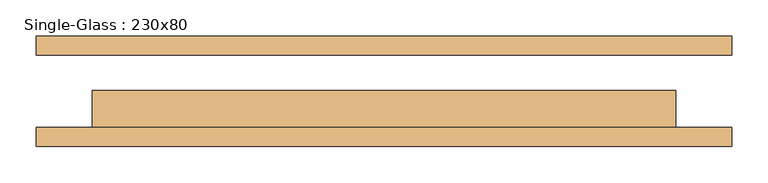
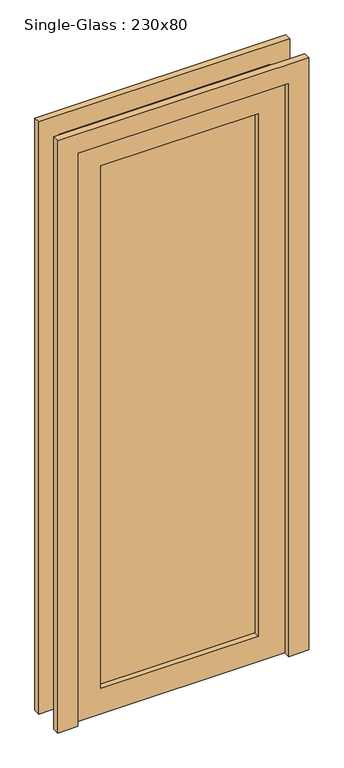
"""IFC4 building model written with IfcOpenShell, lengths in millimetres: door geometry, Single-Glass : 230x80."""

from ifc_helpers import new_model, si_unit, frame, origin, place, context, project, spatial, polyline, outline, extrude, source, transform, mapped, element, save


def single_glass_230x80_4aadff02(model_context):
    return source(origin(), model_context, "Body", "SweptSolid", [
        extrude(outline(polyline([(2300.0, 400.0), (0.0, 400.0), (0.0, 476.2), (2376.2, 476.2), (2376.2, -476.2), (0.0, -476.2), (0.0, -400.0), (2300.0, -400.0), (2300.0, 400.0)])), frame((0.0, 50.0, 0.0), z_axis=(0.0, 1.0, 0.0), x_axis=(0.0, 0.0, 1.0)), (0.0, 0.0, 1.0), 25.4),
        extrude(outline(polyline([(2300.0, 400.0), (0.0, 400.0), (0.0, 476.2), (2376.2, 476.2), (2376.2, -476.2), (0.0, -476.2), (0.0, -400.0), (2300.0, -400.0), (2300.0, 400.0)])), frame((0.0, -75.4, 0.0), z_axis=(0.0, 1.0, 0.0), x_axis=(0.0, 0.0, 1.0)), (0.0, 0.0, 1.0), 25.4),
        extrude(outline(polyline([(298.4, -21.425), (298.4, -27.775), (-298.4, -27.775), (-298.4, -21.425), (298.4, -21.425)])), frame((0.0, 0.0, 101.6), z_axis=(0.0, 0.0, 1.0), x_axis=(1.0, 0.0, 0.0)), (0.0, 0.0, 1.0), 2096.8),
        extrude(outline(polyline([(2300.0, 400.0), (2300.0, -400.0), (0.0, -400.0), (0.0, 400.0), (2300.0, 400.0)]), holes=[polyline([(2198.4, -298.4), (2198.4, 298.4), (101.6, 298.4), (101.6, -298.4), (2198.4, -298.4)])]), frame((0.0, -50.0, 0.0), z_axis=(0.0, 1.0, 0.0), x_axis=(0.0, 0.0, 1.0)), (0.0, 0.0, 1.0), 50.8),
    ])


if __name__ == "__main__":
    model = new_model("IFC4")
    model_context = context("Model", 3, world=origin())
    ifc_project = project(units=[si_unit("LENGTHUNIT", "METRE", prefix="MILLI")], contexts=[model_context])
    site = spatial("IfcSite", under=ifc_project)
    building = spatial("IfcBuilding", under=site)
    placement = place(None, origin())
    single_glass_230x80_shape = single_glass_230x80_4aadff02(model_context)
    element("IfcDoor", 1, ObjectType="Single-Glass : 230x80", at=placement, inside=building, context=model_context, shape_type="MappedRepresentation", body=[
        mapped(single_glass_230x80_shape, transform((0.0, 0.0, 0.0), x_axis=(1.0, 0.0, 0.0), y_axis=(0.0, 1.0, 0.0), z_axis=(0.0, 0.0, 1.0))),
    ])
    save(model, "model.ifc")
